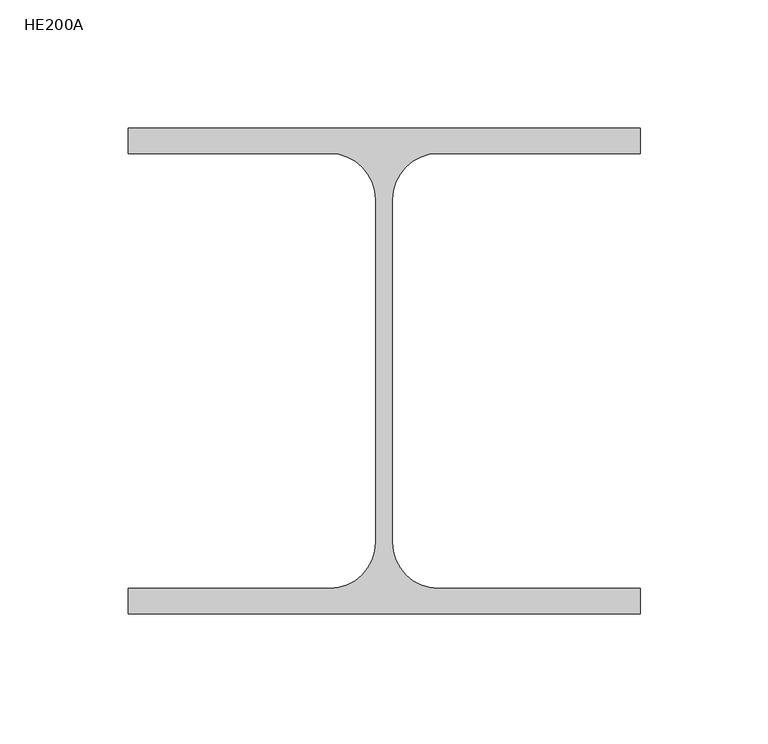
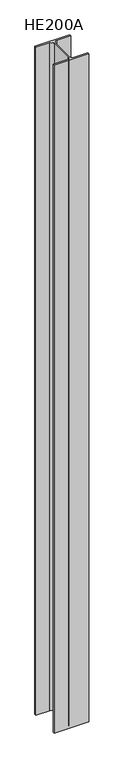
"""IFC4 building model written with IfcOpenShell, lengths in millimetres: column geometry, HE200A."""

from ifc_helpers import new_model, si_unit, point, frame, frame_2d, origin, place, context, project, spatial, polyline, circle_curve, trimmed, segment, composite_curve, outline, extrude, source, transform, mapped, element, save


def he200a_ae799ee8(model_context):
    return source(origin(), model_context, "Body", "SweptSolid", [
        extrude(outline(composite_curve([segment(polyline([(100.0, 95.0), (100.0, 85.0), (21.25, 85.0)]), True, "CONTINUOUS"), segment(trimmed(circle_curve(frame_2d((21.25, 67.0)), 18.0), [point((21.25, 85.0))], [point((3.25, 67.0))], True, "CARTESIAN"), True, "CONTINUOUS"), segment(polyline([(3.25, 67.0), (3.25, -67.0)]), True, "CONTINUOUS"), segment(trimmed(circle_curve(frame_2d((21.25, -67.0)), 18.0), [point((3.25, -67.0))], [point((21.25, -85.0))], True, "CARTESIAN"), True, "CONTINUOUS"), segment(polyline([(21.25, -85.0), (100.0, -85.0), (100.0, -95.0), (-100.0, -95.0), (-100.0, -85.0), (-21.25, -85.0)]), True, "CONTINUOUS"), segment(trimmed(circle_curve(frame_2d((-21.25, -67.0)), 18.0), [point((-21.25, -85.0))], [point((-3.25, -67.0))], True, "CARTESIAN"), True, "CONTINUOUS"), segment(polyline([(-3.25, -67.0), (-3.25, 67.0)]), True, "CONTINUOUS"), segment(trimmed(circle_curve(frame_2d((-21.25, 67.0)), 18.0), [point((-3.25, 67.0))], [point((-21.25, 85.0))], True, "CARTESIAN"), True, "CONTINUOUS"), segment(polyline([(-21.25, 85.0), (-100.0, 85.0), (-100.0, 95.0), (100.0, 95.0)]), True, "CONTINUOUS")], self_intersect=False)), frame((0.0, 0.0, -8000.0), z_axis=(0.0, 0.0, 1.0), x_axis=(1.0, 0.0, 0.0)), (0.0, 0.0, 1.0), 4050.0),
    ])


if __name__ == "__main__":
    model = new_model("IFC4")
    model_context = context("Model", 3, world=origin())
    ifc_project = project(units=[si_unit("LENGTHUNIT", "METRE", prefix="MILLI")], contexts=[model_context])
    site = spatial("IfcSite", under=ifc_project)
    building = spatial("IfcBuilding", under=site)
    placement = place(None, origin())
    he200a_shape = he200a_ae799ee8(model_context)
    element("IfcColumn", 1, ObjectType="HE200A", at=placement, inside=building, context=model_context, shape_type="MappedRepresentation", body=[
        mapped(he200a_shape, transform((0.0, 0.0, 0.0), x_axis=(1.0, 0.0, 0.0), y_axis=(0.0, 1.0, 0.0), z_axis=(0.0, 0.0, 1.0))),
    ])
    save(model, "model.ifc")
